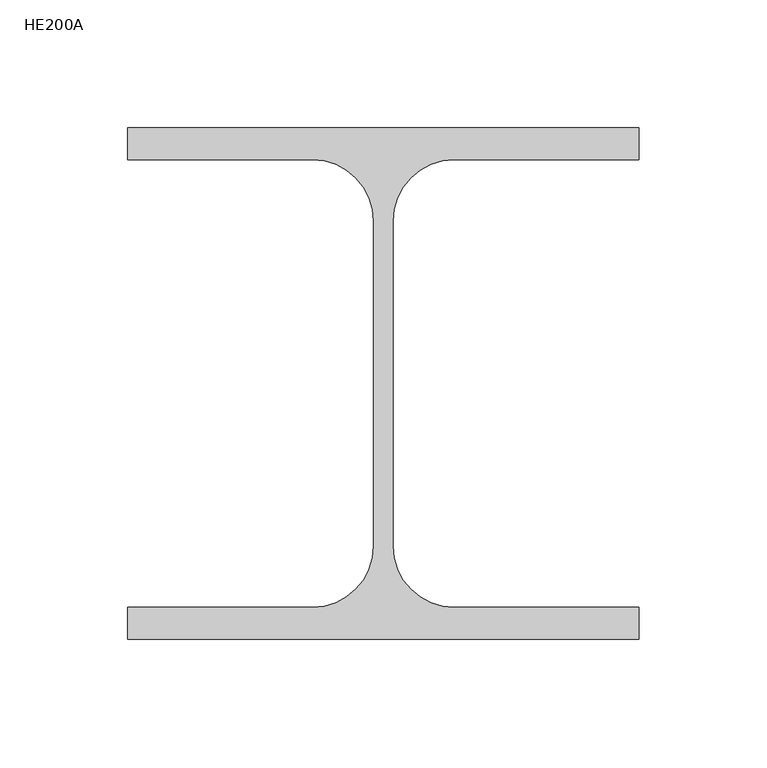
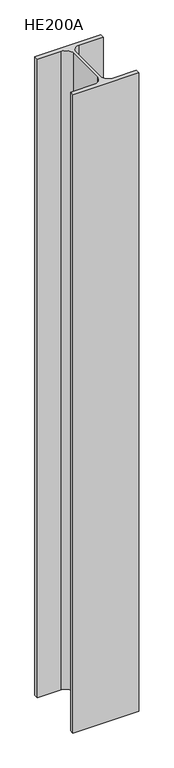
"""IFC4 building model written with IfcOpenShell, lengths in millimetres: column geometry, HE200A."""

from ifc_helpers import new_model, si_unit, point, frame, frame_2d, origin, place, context, project, spatial, polyline, circle_curve, trimmed, segment, composite_curve, outline, extrude, source, transform, mapped, element, save


def he200a_6c1e6d16(model_context):
    return source(origin(), model_context, "Body", "SweptSolid", [
        extrude(outline(composite_curve([segment(polyline([(100.0, 100.0), (100.0, 87.5), (27.75, 87.5)]), True, "CONTINUOUS"), segment(trimmed(circle_curve(frame_2d((27.75, 63.5)), 24.0), [point((27.75, 87.5))], [point((3.75, 63.5))], True, "CARTESIAN"), True, "CONTINUOUS"), segment(polyline([(3.75, 63.5), (3.75, -63.5)]), True, "CONTINUOUS"), segment(trimmed(circle_curve(frame_2d((27.75, -63.5)), 24.0), [point((3.75, -63.5))], [point((27.75, -87.5))], True, "CARTESIAN"), True, "CONTINUOUS"), segment(polyline([(27.75, -87.5), (100.0, -87.5), (100.0, -100.0), (-100.0, -100.0), (-100.0, -87.5), (-27.75, -87.5)]), True, "CONTINUOUS"), segment(trimmed(circle_curve(frame_2d((-27.75, -63.5)), 24.0), [point((-27.75, -87.5))], [point((-3.75, -63.5))], True, "CARTESIAN"), True, "CONTINUOUS"), segment(polyline([(-3.75, -63.5), (-3.75, 63.5)]), True, "CONTINUOUS"), segment(trimmed(circle_curve(frame_2d((-27.75, 63.5)), 24.0), [point((-3.75, 63.5))], [point((-27.75, 87.5))], True, "CARTESIAN"), True, "CONTINUOUS"), segment(polyline([(-27.75, 87.5), (-100.0, 87.5), (-100.0, 100.0), (100.0, 100.0)]), True, "CONTINUOUS")], self_intersect=False)), frame((0.0, 0.0, 8050.0), z_axis=(0.0, 0.0, 1.0), x_axis=(1.0, 0.0, 0.0)), (0.0, 0.0, 1.0), 2050.0),
    ])


if __name__ == "__main__":
    model = new_model("IFC4")
    model_context = context("Model", 3, world=origin())
    ifc_project = project(units=[si_unit("LENGTHUNIT", "METRE", prefix="MILLI")], contexts=[model_context])
    site = spatial("IfcSite", under=ifc_project)
    building = spatial("IfcBuilding", under=site)
    placement = place(None, origin())
    he200a_shape = he200a_6c1e6d16(model_context)
    element("IfcColumn", 1, ObjectType="HE200A", at=placement, inside=building, context=model_context, shape_type="MappedRepresentation", body=[
        mapped(he200a_shape, transform((0.0, 0.0, 0.0), x_axis=(1.0, 0.0, 0.0), y_axis=(0.0, 1.0, 0.0), z_axis=(0.0, 0.0, 1.0))),
    ])
    save(model, "model.ifc")
